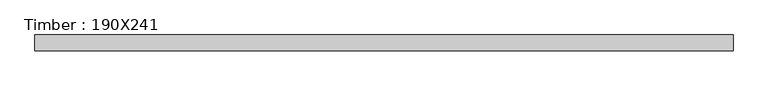
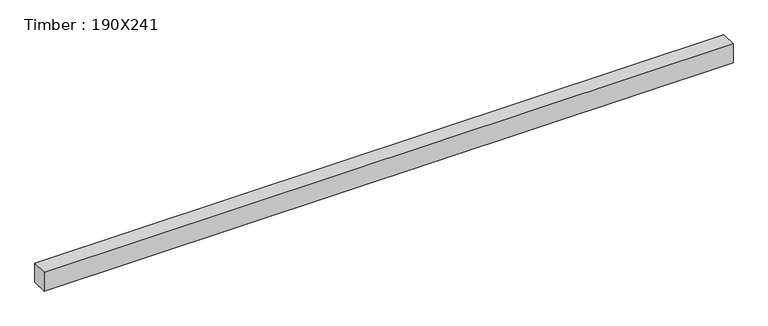
"""IFC4 building model written with IfcOpenShell, lengths in millimetres: beam geometry, Timber : 190X241."""

import ifcopenshell
import ifcopenshell.guid

model = None  # the IFC model being written
_history = None  # IfcOwnerHistory: only IFC2X3 demands one
_inside = {}  # id of a spatial element -> (the spatial element, [elements in it])
_under = {}  # id of a project, library or spatial element -> (it, [spatial elements below it])
_declared = {}  # id of a project -> (the project, [libraries it declares])
_typed = {}  # id of a type object -> (the type object, [elements of that type])
_made_of = {}  # id of a material, layer set ... -> (it, [elements and type objects made of it])


def new_model(schema):
    """Start an empty IFC model of exactly this schema.

    Asked for "IFC4X3", IfcOpenShell would pick the latest addendum, in which some entities
    have other attributes; the version numbers below select the first issue.
    IFC2X3 requires an IfcOwnerHistory on every rooted entity: one is made here for all.
    """
    global model, _history
    if schema == "IFC4X3":
        model = ifcopenshell.file(schema_version=(4, 3, 0, 0))
    else:
        model = ifcopenshell.file(schema=schema)
    _inside.clear()
    _under.clear()
    _declared.clear()
    _typed.clear()
    _made_of.clear()
    _history = None
    if model.schema == "IFC2X3":
        org = make("IfcOrganization", Name="unknown")
        user = make(
            "IfcPersonAndOrganization",
            ThePerson=make("IfcPerson", FamilyName="unknown"),
            TheOrganization=org,
        )
        app = make(
            "IfcApplication",
            ApplicationDeveloper=org,
            Version="unknown",
            ApplicationFullName="unknown",
            ApplicationIdentifier="unknown",
        )
        _history = make(
            "IfcOwnerHistory",
            OwningUser=user,
            OwningApplication=app,
            ChangeAction="ADDED",
            CreationDate=0,
        )
    return model


def make(cls, **values):
    """One entity of the class cls with the attributes given. An attribute that is None is left unset."""
    return model.create_entity(
        cls, **{name: value for name, value in values.items() if value is not None}
    )


def rooted(cls, **values):
    """An entity with a GlobalId (a new one), such as an element, a storey or a relation."""
    return make(cls, GlobalId=ifcopenshell.guid.new(), OwnerHistory=_history, **values)


def si_unit(unit_type, name, prefix=None):
    """IfcSIUnit, for example si_unit("LENGTHUNIT", "METRE", prefix="MILLI")."""
    return make("IfcSIUnit", UnitType=unit_type, Prefix=prefix, Name=name)


def assignment(units):
    """IfcUnitAssignment: the units of a project."""
    return None if units is None else make("IfcUnitAssignment", Units=units)


def point(xyz):
    """IfcCartesianPoint."""
    return None if xyz is None else make("IfcCartesianPoint", Coordinates=xyz)


def direction(xyz):
    """IfcDirection."""
    return None if xyz is None else make("IfcDirection", DirectionRatios=xyz)


def frame(location, z_axis=None, x_axis=None):
    """IfcAxis2Placement3D, a coordinate frame: its origin and axes. An axis left out is left unset."""
    return make(
        "IfcAxis2Placement3D",
        Location=point(location),
        Axis=direction(z_axis),
        RefDirection=direction(x_axis),
    )


def origin():
    """The frame at (0, 0, 0) with its axes left unset."""
    return frame((0.0, 0.0, 0.0))


def place(relative_to, where):
    """IfcLocalPlacement: puts the frame where relative to a parent placement (None: the world)."""
    return make(
        "IfcLocalPlacement", PlacementRelTo=relative_to, RelativePlacement=where
    )


def context(
    kind, dimensions, precision=None, world=None, true_north=None, identifier=None
):
    """IfcGeometricRepresentationContext, for example the 3D "Model" context."""
    return make(
        "IfcGeometricRepresentationContext",
        ContextIdentifier=identifier,
        ContextType=kind,
        CoordinateSpaceDimension=dimensions,
        Precision=precision,
        WorldCoordinateSystem=world,
        TrueNorth=true_north,
    )


def project(units=None, contexts=None):
    """IfcProject with its units and contexts."""
    return rooted(
        "IfcProject",
        Name="project",
        RepresentationContexts=contexts,
        UnitsInContext=assignment(units),
    )


def spatial(cls, under=None, at=None, **own):
    """A site, building, storey or space (cls), placed at a placement, below another one or the project."""
    s = rooted(cls, ObjectPlacement=at, **own)
    if under is not None:
        _under.setdefault(under.id(), (under, []))[1].append(s)
    return s


def polyline(points):
    """IfcPolyline through the points."""
    return make("IfcPolyline", Points=[point(p) for p in points])


def outline(outer, holes=None, kind="AREA"):
    """IfcArbitraryClosedProfileDef: a profile drawn as a closed curve; with holes, ...WithVoids."""
    if holes is None:
        return make("IfcArbitraryClosedProfileDef", ProfileType=kind, OuterCurve=outer)
    return make(
        "IfcArbitraryProfileDefWithVoids",
        ProfileType=kind,
        OuterCurve=outer,
        InnerCurves=holes,
    )


def extrude(swept, where, along, depth):
    """IfcExtrudedAreaSolid: the profile swept, set in the frame where, extruded along a direction by depth."""
    return make(
        "IfcExtrudedAreaSolid",
        SweptArea=swept,
        Position=where,
        ExtrudedDirection=direction(along),
        Depth=depth,
    )


def shape(context_of_items, identifier, shape_type, items):
    """IfcShapeRepresentation: the items that make up one representation, for example the "Body"."""
    return make(
        "IfcShapeRepresentation",
        ContextOfItems=context_of_items,
        RepresentationIdentifier=identifier,
        RepresentationType=shape_type,
        Items=items,
    )


def source(mapping_origin, context_of_items, identifier, shape_type, items):
    """IfcRepresentationMap: a shape defined once, which mapped items show again and again."""
    return make(
        "IfcRepresentationMap",
        MappingOrigin=mapping_origin,
        MappedRepresentation=shape(context_of_items, identifier, shape_type, items),
    )


def transform(
    local_origin,
    x_axis=None,
    y_axis=None,
    z_axis=None,
    scale=None,
    scale2=None,
    scale3=None,
    uniform=True,
):
    """IfcCartesianTransformationOperator3D, or its non-uniform kind. x_axis, y_axis, z_axis: its Axis1, 2, 3."""
    if uniform:
        return make(
            "IfcCartesianTransformationOperator3D",
            Axis1=direction(x_axis),
            Axis2=direction(y_axis),
            LocalOrigin=point(local_origin),
            Scale=scale,
            Axis3=direction(z_axis),
        )
    return make(
        "IfcCartesianTransformationOperator3DnonUniform",
        Axis1=direction(x_axis),
        Axis2=direction(y_axis),
        LocalOrigin=point(local_origin),
        Scale=scale,
        Axis3=direction(z_axis),
        Scale2=scale2,
        Scale3=scale3,
    )


def mapped(mapping_source, mapping_target):
    """IfcMappedItem: shows the shape of a source again, moved by a transform."""
    return make(
        "IfcMappedItem", MappingSource=mapping_source, MappingTarget=mapping_target
    )


def made_of(thing, what):
    """Note that an element or type object is made of a material, layer set ...; save() writes the relation."""
    if what is not None:
        _made_of.setdefault(what.id(), (what, []))[1].append(thing)
    return thing


def element(
    cls,
    number,
    at=None,
    inside=None,
    cuts=None,
    type_object=None,
    material=None,
    context=None,
    identifier="Body",
    shape_type=None,
    held_by="IfcProductDefinitionShape",
    body=None,
    shapes=None,
    **own,
):
    """One element of the class cls, such as IfcWall. Its Tag is "e" and its number.

    at: its placement. inside: the storey or other place that contains it. cuts: it is an
    opening in that element (IfcRelVoidsElement). A single representation is given by context,
    identifier, shape_type and body (its items); several are given by shapes. held_by: the class
    of the entity that holds the representations. save() writes the other relations.
    """
    e = rooted(cls, Tag="e%d" % number, ObjectPlacement=at, **own)
    if body is not None:
        shapes = [shape(context, identifier, shape_type, body)]
    if shapes is not None:
        e.Representation = make(held_by, Representations=shapes)
    if inside is not None:
        _inside.setdefault(inside.id(), (inside, []))[1].append(e)
    if cuts is not None:
        rooted(
            "IfcRelVoidsElement", RelatingBuildingElement=cuts, RelatedOpeningElement=e
        )
    if type_object is not None:
        _typed.setdefault(type_object.id(), (type_object, []))[1].append(e)
    return made_of(e, material)


def aggregate(whole, parts):
    """IfcRelAggregates: a whole, such as a stair, and the parts it consists of."""
    return rooted("IfcRelAggregates", RelatingObject=whole, RelatedObjects=parts)


def save(model, path):
    """Write the relations noted so far, then the file.

    IfcRelAggregates (storeys below a building ...), IfcRelContainedInSpatialStructure (elements
    in a storey), IfcRelDefinesByType, IfcRelAssociatesMaterial and IfcRelDeclares: one each for
    every whole, place, type object, material and project.
    """
    for whole, parts in _under.values():
        aggregate(whole, parts)
    for where, things in _inside.values():
        rooted(
            "IfcRelContainedInSpatialStructure",
            RelatedElements=things,
            RelatingStructure=where,
        )
    for kind, things in _typed.values():
        rooted("IfcRelDefinesByType", RelatedObjects=things, RelatingType=kind)
    for what, things in _made_of.values():
        rooted("IfcRelAssociatesMaterial", RelatedObjects=things, RelatingMaterial=what)
    for by, libraries in _declared.values():
        rooted("IfcRelDeclares", RelatingContext=by, RelatedDefinitions=libraries)
    model.write(path)


def timber_190x241_ba1020f9(model_context):
    return source(origin(), model_context, "Body", "SweptSolid", [
        extrude(outline(polyline([(4149.5, 95.0), (4149.5, -95.0), (-4149.5, -95.0), (-4149.5, 95.0), (4149.5, 95.0)])), frame((0.0, 0.0, -120.5), z_axis=(0.0, 0.0, 1.0), x_axis=(1.0, 0.0, 0.0)), (0.0, 0.0, 1.0), 241.0),
    ])


if __name__ == "__main__":
    model = new_model("IFC4")
    model_context = context("Model", 3, world=origin())
    ifc_project = project(units=[si_unit("LENGTHUNIT", "METRE", prefix="MILLI")], contexts=[model_context])
    site = spatial("IfcSite", under=ifc_project)
    building = spatial("IfcBuilding", under=site)
    placement = place(None, origin())
    timber_190x241_shape = timber_190x241_ba1020f9(model_context)
    element("IfcBeam", 1, ObjectType="Timber : 190X241", at=placement, inside=building, context=model_context, shape_type="MappedRepresentation", body=[
        mapped(timber_190x241_shape, transform((0.0, 0.0, 0.0), x_axis=(1.0, 0.0, 0.0), y_axis=(0.0, 1.0, 0.0), z_axis=(0.0, 0.0, 1.0))),
    ])
    save(model, "model.ifc")
